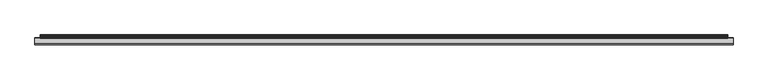
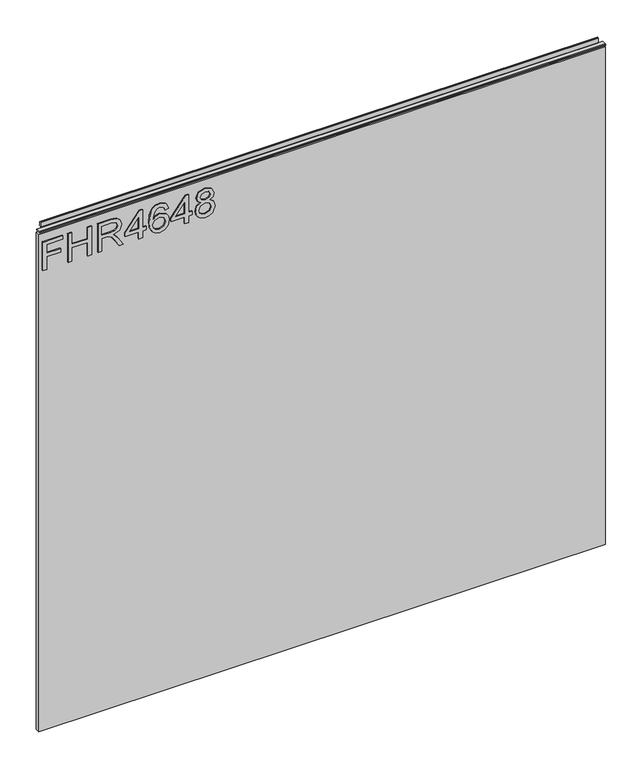
"""IFC4 building model written with IfcOpenShell, lengths in millimetres: furniture geometry."""

from ifc_helpers import new_model, si_unit, frame, origin, place, context, project, spatial, polyline, outline, extrude, source, transform, mapped, element, save


def furniture_e7c808b7(model_context):
    return source(origin(), model_context, "Body", "SweptSolid", [
        extrude(outline(polyline([(1053.0078, -291.2107253), (1053.0078, -283.2370057), (1081.9125336, -283.2370057), (1081.9125336, -253.3355571), (1089.8862532, -253.3355571), (1089.8862532, -283.2370057), (1108.8238373, -283.2370057), (1108.8238373, -248.3519823), (1116.7975569, -248.3519823), (1116.7975569, -291.2107253), (1053.0078, -291.2107253)])), frame((0.0, -5.4842478, 0.0), z_axis=(0.0, 1.0, 0.0), x_axis=(0.0, 0.0, 1.0)), (0.0, 0.0, 1.0), 2.38125),
        extrude(outline(polyline([(1053.0078, -237.3881179), (1053.0078, -229.4143982), (1082.9092486, -229.4143982), (1082.9092486, -195.5260899), (1053.0078, -195.5260899), (1053.0078, -187.5523702), (1116.7975569, -187.5523702), (1116.7975569, -195.5260899), (1090.8829682, -195.5260899), (1090.8829682, -229.4143982), (1116.7975569, -229.4143982), (1116.7975569, -237.3881179), (1053.0078, -237.3881179)])), frame((0.0, -5.4842478, 0.0), z_axis=(0.0, 1.0, 0.0), x_axis=(0.0, 0.0, 1.0)), (0.0, 0.0, 1.0), 2.38125),
        extrude(outline(polyline([(1053.0078, -173.5983609), (1053.0078, -165.6246413), (1080.9158187, -165.6246413), (1080.9158187, -156.0001125), (1080.6354926, -151.3747322), (1079.1170596, -147.5825433), (1074.98225, -143.3698652), (1066.2298468, -137.3740019), (1053.0078, -129.0732351), (1053.0078, -119.8069008), (1070.294575, -130.4437182), (1078.5018996, -136.9067917), (1081.9125336, -141.43873), (1087.8461023, -128.084307), (1099.3394716, -123.7626133), (1108.9873609, -126.3712032), (1115.0766663, -133.3482079), (1116.7975569, -146.1108314), (1116.7975569, -173.5983609), (1053.0078, -173.5983609)]), holes=[polyline([(1088.8895383, -165.6246413), (1108.8238373, -165.6246413), (1108.8238373, -145.7682106), (1106.0672975, -135.1080327), (1099.0435719, -131.7363329), (1093.6317211, -133.5039446), (1090.0186294, -138.6744034), (1088.8895383, -147.7772142), (1088.8895383, -165.6246413)])]), frame((0.0, -5.4842478, 0.0), z_axis=(0.0, 1.0, 0.0), x_axis=(0.0, 0.0, 1.0)), (0.0, 0.0, 1.0), 2.38125),
        extrude(outline(polyline([(1053.0078, -86.8841601), (1053.0078, -78.9104404), (1067.9585243, -78.9104404), (1067.9585243, -70.9367208), (1075.9322439, -70.9367208), (1075.9322439, -78.9104404), (1115.800842, -78.9104404), (1115.800842, -84.8907302), (1075.9322439, -115.7888937), (1067.9585243, -115.7888937), (1067.9585243, -86.8841601), (1053.0078, -86.8841601)]), holes=[polyline([(1075.9322439, -86.8841601), (1075.9322439, -105.9774809), (1100.5697916, -86.8841601), (1075.9322439, -86.8841601)])]), frame((0.0, -5.4842478, 0.0), z_axis=(0.0, 1.0, 0.0), x_axis=(0.0, 0.0, 1.0)), (0.0, 0.0, 1.0), 2.38125),
        extrude(outline(polyline([(1099.8534028, -23.0944031), (1112.296766, -28.9812508), (1116.7975569, -41.5803507), (1114.9793308, -50.8350048), (1109.5246525, -57.9794264), (1098.6659103, -63.2121799), (1082.7846592, -64.9564311), (1068.6593395, -63.385437), (1059.1749738, -58.6724548), (1053.8020572, -51.4676852), (1052.011085, -42.421329), (1054.713117, -31.9713957), (1062.4999526, -24.7296386), (1073.5027512, -22.0976882), (1081.6750351, -23.4954251), (1088.1887231, -27.6886361), (1093.873113, -41.23773), (1091.7940279, -49.951199), (1085.4321833, -56.9827115), (1099.6431582, -54.7167423), (1106.8927021, -49.2737443), (1108.8238373, -42.0787082), (1105.5066454, -34.0894149), (1098.8566878, -31.0681227), (1099.8534028, -23.0944031)]), holes=[polyline([(1073.6273406, -56.9827115), (1082.51212, -53.0192122), (1085.8993934, -43.3713229), (1082.51212, -33.5988443), (1073.2379988, -30.0714078), (1063.5511754, -33.6455653), (1059.9848047, -43.0442758), (1061.7056953, -50.2315251), (1066.7204174, -55.1372315), (1073.6273406, -56.9827115)])]), frame((0.0, -5.4842478, 0.0), z_axis=(0.0, 1.0, 0.0), x_axis=(0.0, 0.0, 1.0)), (0.0, 0.0, 1.0), 2.38125),
        extrude(outline(polyline([(1053.0078, 10.7939053), (1053.0078, 18.7676249), (1067.9585243, 18.7676249), (1067.9585243, 26.7413445), (1075.9322439, 26.7413445), (1075.9322439, 18.7676249), (1115.800842, 18.7676249), (1115.800842, 12.7873352), (1075.9322439, -18.1108284), (1067.9585243, -18.1108284), (1067.9585243, 10.7939053), (1053.0078, 10.7939053)]), holes=[polyline([(1075.9322439, 10.7939053), (1075.9322439, -8.2994155), (1100.5697916, 10.7939053), (1075.9322439, 10.7939053)])]), frame((0.0, -5.4842478, 0.0), z_axis=(0.0, 1.0, 0.0), x_axis=(0.0, 0.0, 1.0)), (0.0, 0.0, 1.0), 2.38125),
        extrude(outline(polyline([(1088.1420021, 45.3363078), (1082.3485964, 36.7396414), (1071.7896474, 33.7183492), (1064.0320125, 35.1589137), (1057.6721145, 39.4806075), (1053.4263424, 46.1539256), (1052.011085, 54.6493632), (1053.4205023, 63.1448008), (1057.648754, 69.8181188), (1071.571616, 75.5803772), (1081.8891731, 72.6758875), (1088.1420021, 64.1960236), (1093.071069, 71.2586834), (1100.5853653, 73.5869473), (1112.0787346, 68.3541938), (1116.7975569, 54.5403475), (1112.1877503, 40.8510905), (1100.8033967, 35.7117791), (1093.0944295, 38.0711902), (1088.1420021, 45.3363078)]), holes=[polyline([(1072.0699735, 41.6920688), (1080.5264769, 45.0637686), (1083.9059635, 54.4469054), (1080.4797559, 64.1025815), (1071.8207947, 67.6066575), (1063.3253571, 64.2115972), (1059.9848047, 54.7116578), (1061.5733191, 47.7346532), (1066.0663232, 43.0236177), (1072.0699735, 41.6920688)]), polyline([(1100.5697916, 43.6854987), (1106.3943446, 46.558841), (1108.8238373, 54.6493632), (1106.3398368, 62.7165248), (1100.2115972, 65.6132276), (1094.2936022, 62.8099668), (1091.8796831, 54.7428052), (1094.3091758, 46.51212), (1100.5697916, 43.6854987)])]), frame((0.0, -5.4842478, 0.0), z_axis=(0.0, 1.0, 0.0), x_axis=(0.0, 0.0, 1.0)), (0.0, 0.0, 1.0), 2.38125),
        extrude(outline(polyline([(5.5562561, 1143.0), (6.3500061, 1143.0), (6.3500061, 1152.87425), (7.1437561, 1153.668), (8.6677569, 1153.668), (10.0084363, 1153.2506926), (10.875413, 1152.1461816), (10.9623604, 1150.7447591), (10.2390011, 1147.7863459), (10.4046103, 1146.5833307), (11.6746103, 1144.3836103), (10.7786383, 1143.8663244), (7.1437561, 1143.8663244), (7.1437561, 1143.0), (6.3500061, 1142.7669239), (6.3500061, 1135.5578), (5.5562561, 1135.5578), (5.5562561, 1143.0)])), frame((-288.671, 0.0, 0.0), z_axis=(1.0, 0.0, 0.0), x_axis=(0.0, 1.0, 0.0)), (0.0, 0.0, 1.0), 1186.942),
        extrude(outline(polyline([(5.5562561, 1143.0), (5.5562561, 1139.8249996), (-3.975094, 1139.8249996), (-5.3492339, 1140.6183657), (-5.3492339, 1142.2066395), (-3.9751037, 1143.0), (5.5562561, 1143.0)])), frame((-298.196, 0.0, 0.0), z_axis=(1.0, 0.0, 0.0), x_axis=(0.0, 1.0, 0.0)), (0.0, 0.0, 1.0), 1205.992),
        extrude(outline(polyline([(907.796, 6.3500061), (907.796, -3.1749939), (-298.196, -3.1749939), (-298.196, 6.3500061), (907.796, 6.3500061)])), frame((0.0, 0.0, 15.79626), z_axis=(0.0, 0.0, 1.0), x_axis=(1.0, 0.0, 0.0)), (0.0, 0.0, 1.0), 1119.76154),
    ])


if __name__ == "__main__":
    model = new_model("IFC4")
    model_context = context("Model", 3, world=origin())
    ifc_project = project(units=[si_unit("LENGTHUNIT", "METRE", prefix="MILLI")], contexts=[model_context])
    site = spatial("IfcSite", under=ifc_project)
    building = spatial("IfcBuilding", under=site)
    placement = place(None, origin())
    furniture_shape = furniture_e7c808b7(model_context)
    element("IfcFurniture", 1, at=placement, inside=building, context=model_context, shape_type="MappedRepresentation", body=[
        mapped(furniture_shape, transform((0.0, 0.0, 0.0), x_axis=(1.0, 0.0, 0.0), y_axis=(0.0, 1.0, 0.0), z_axis=(0.0, 0.0, 1.0))),
    ])
    save(model, "model.ifc")
